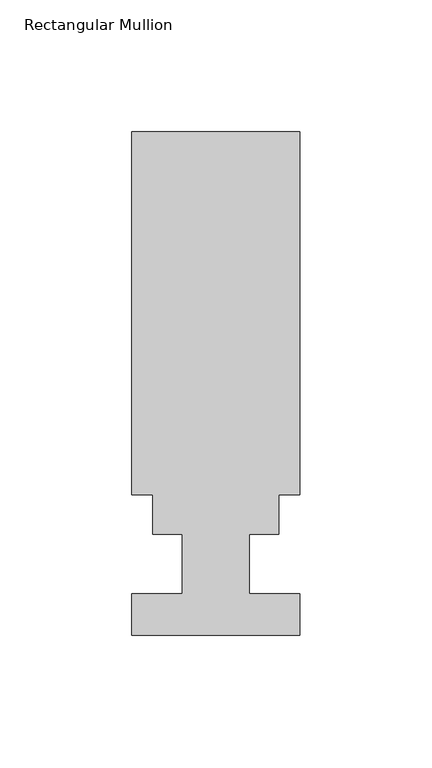
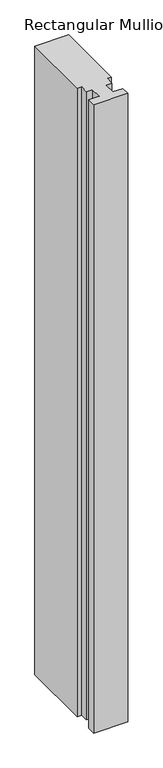
"""IFC4 building model written with IfcOpenShell, lengths in millimetres: member geometry, Rectangular Mullion."""

from ifc_helpers import new_model, si_unit, frame, origin, place, context, project, spatial, polyline, outline, extrude, source, transform, mapped, element, save


def rectangular_mullion_28876bdd(model_context):
    return source(origin(), model_context, "Body", "SweptSolid", [
        extrude(outline(polyline([(31.75, 53.0629813), (23.8252, 53.0629813), (23.8252, 38.0007812), (12.7, 38.0007812), (12.7, 15.5217812), (31.75, 15.5217812), (31.75, -0.3278188), (-31.75, -0.3278188), (-31.75, 15.5217812), (-12.7, 15.5217812), (-12.7, 38.0007812), (-23.8252, 38.0007812), (-23.8252, 53.0629813), (-31.75, 53.0629813), (-31.75, 190.4007813), (31.75, 190.4007813), (31.75, 53.0629813)])), frame((0.0, 0.0, -1242.1071763), z_axis=(0.0, 0.0, 1.0), x_axis=(1.0, 0.0, 0.0)), (0.0, 0.0, 1.0), 1242.1071763),
    ])


if __name__ == "__main__":
    model = new_model("IFC4")
    model_context = context("Model", 3, world=origin())
    ifc_project = project(units=[si_unit("LENGTHUNIT", "METRE", prefix="MILLI")], contexts=[model_context])
    site = spatial("IfcSite", under=ifc_project)
    building = spatial("IfcBuilding", under=site)
    placement = place(None, origin())
    rectangular_mullion_shape = rectangular_mullion_28876bdd(model_context)
    element("IfcMember", 1, ObjectType="Rectangular Mullion", at=placement, inside=building, context=model_context, shape_type="MappedRepresentation", body=[
        mapped(rectangular_mullion_shape, transform((0.0, 0.0, 0.0), x_axis=(1.0, 0.0, 0.0), y_axis=(0.0, 1.0, 0.0), z_axis=(0.0, 0.0, 1.0))),
    ])
    save(model, "model.ifc")
